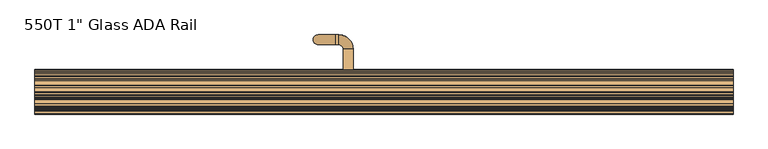
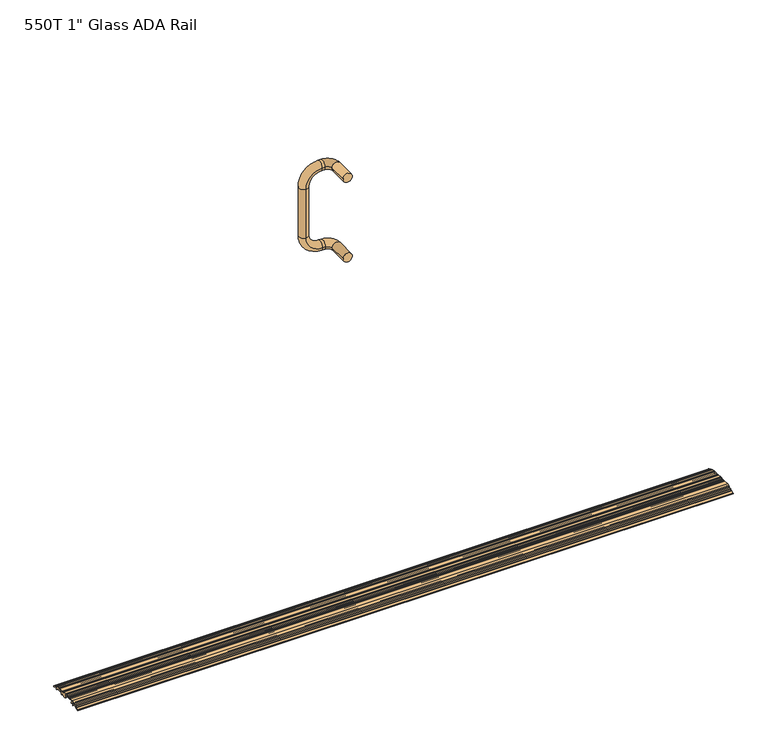
"""IFC4 building model written with IfcOpenShell, lengths in millimetres: door geometry."""

from ifc_helpers import new_model, si_unit, point, frame, origin, place, context, project, spatial, polyline, circle_curve, ellipse_curve, trimmed, source, transform, mapped, element, save
from ifc_brep_helpers import plane_surface, cylinder_surface, revolved_surface, advanced_brep


def door_7d92001a(model_context):
    return source(origin(), model_context, "Body", "AdvancedBrep", [
        advanced_brep(
        [(889.0, 79.8201984, 3.232503), (889.0, 74.4821445, 5.6801748), (889.0, 73.4382091, 5.292623), (889.0, 70.5290577, 6.6265638), (889.0, 70.1415059, 7.6704992), (889.0, 69.2872313, 8.062212), (889.0, 64.9438313, 6.449763), (889.0, 64.9438313, 9.5486209), (889.0, 64.484623, 10.2643645), (889.0, 62.6070313, 11.1253015), (889.0, 56.7396313, 11.1253015), (889.0, 55.9522313, 10.3379015), (889.0, 52.7518313, 10.3379015), (889.0, 51.9644313, 11.1253015), (889.0, 41.1694313, 11.1253015), (889.0, 40.3820313, 10.3379015), (889.0, 34.0320313, 10.3379015), (889.0, 34.0320313, 12.7001015), (889.0, 25.9357259, 12.7001015), (889.0, 25.1483259, 11.9127015), (889.0, 21.9479259, 11.9127015), (889.0, 21.1605259, 12.7001015), (889.0, 18.0839786, 12.7001015), (889.0, 17.2965786, 11.9127015), (889.0, 14.0961786, 11.9127015), (889.0, 13.3087786, 12.7001015), (889.0, 10.2322313, 12.7001015), (889.0, 9.4448313, 11.9127015), (889.0, 6.2444313, 11.9127015), (889.0, 5.4570313, 12.7001015), (889.0, -6.4301687, 12.7001015), (889.0, -13.4706937, 9.711576), (889.0, -13.8878375, 8.6791088), (889.0, -16.8338212, 7.4286129), (889.0, -17.8662884, 7.8457567), (889.0, -20.9525571, 6.5357134), (889.0, -21.3697009, 5.5032462), (889.0, -24.3156847, 4.2527503), (889.0, -25.3481519, 4.6698941), (889.0, -32.1632304, 1.7770649), (889.0, -32.6429687, 1.0522594), (889.0, -32.6429923, 9.84e-05), (889.0, -27.704597, 0.6619452), (889.0, -25.4456567, 1.6208084), (889.0, -24.4131895, 1.2036646), (889.0, -19.3629317, 3.3473719), (889.0, -18.9457878, 4.3798391), (889.0, -17.9637933, 4.7966711), (889.0, -16.931326, 4.3795272), (889.0, -11.8810682, 6.5232345), (889.0, -11.4639244, 7.5557017), (889.0, -9.5292162, 8.3769366), (889.0, -8.5129065, 7.3088865), (889.0, -8.9193687, 5.5373015), (889.0, -8.9193687, 0.0), (889.0, -6.8873687, 0.0), (889.0, -6.8873687, 3.1751015), (889.0, -2.1297464, 3.1751015), (889.0, -2.7951559, 8.4977963), (889.0, -2.3453912, 9.9315015), (889.0, 4.4521576, 9.9315015), (889.0, 5.2395576, 9.1441015), (889.0, 10.4497049, 9.1441015), (889.0, 11.2371049, 9.9315015), (889.0, 12.3039049, 9.9315015), (889.0, 13.0913049, 9.1441015), (889.0, 18.3014522, 9.1441015), (889.0, 19.0888522, 9.9315015), (889.0, 20.1556522, 9.9315015), (889.0, 20.9430522, 9.1441015), (889.0, 26.9200313, 9.1441015), (889.0, 27.7074313, 8.3567015), (889.0, 27.7074313, 0.7875015), (889.0, 28.4948313, 0.0001015), (889.0, 34.0320313, 0.0), (889.0, 34.0320313, 2.7687015), (889.0, 40.3820313, 2.7687015), (889.0, 40.3820313, 0.0), (889.0, 45.9192313, 0.0), (889.0, 46.7066313, 0.7875015), (889.0, 46.7066313, 7.5693015), (889.0, 47.4940313, 8.3567015), (889.0, 49.9732832, 8.3567015), (889.0, 50.6714369, 7.2051859), (889.0, 51.1438089, 3.1751015), (889.0, 56.5950536, 3.1751015), (889.0, 57.0674256, 7.2051859), (889.0, 57.7655793, 8.3567015), (889.0, 60.6004313, 8.3567015), (889.0, 60.6004313, 5.9691015), (889.0, 62.9880313, 3.5815015), (889.0, 65.1727033, 3.5815015), (889.0, 66.8996313, 4.2226083), (889.0, 66.8996313, 0.0), (889.0, 69.6682313, 0.0), (889.0, 69.6682313, 3.6144549), (889.0, 70.783823, 4.3301985), (889.0, 76.7294313, 1.6039432), (889.0, 76.7294313, 0.6605015), (889.0, 81.635628, 0.00297), (-889.0, 79.8201984, 3.232503), (-889.0, 81.635628, 0.00297), (-889.0, 76.7294313, 0.6605015), (-889.0, 76.7294313, 1.6039432), (-889.0, 70.783823, 4.3301985), (-889.0, 69.6682313, 3.6144549), (-889.0, 69.6682313, 0.0), (-889.0, 66.8996313, 0.0), (-889.0, 66.8996313, 4.2226083), (-889.0, 65.1727033, 3.5815015), (-889.0, 62.9880313, 3.5815015), (-889.0, 60.6004313, 5.9691015), (-889.0, 60.6004313, 8.3567015), (-889.0, 57.7655793, 8.3567015), (-889.0, 57.0674256, 7.2051859), (-889.0, 56.5950536, 3.1751015), (-889.0, 51.1438089, 3.1751015), (-889.0, 50.6714369, 7.2051859), (-889.0, 49.9732832, 8.3567015), (-889.0, 47.4940313, 8.3567015), (-889.0, 46.7066313, 7.5693015), (-889.0, 46.7066313, 0.7875015), (-889.0, 45.9192313, 0.0001015), (-889.0, 40.3820313, 0.0), (-889.0, 40.3820313, 2.7687015), (-889.0, 34.0320313, 2.7687015), (-889.0, 34.0320313, 0.0), (-889.0, 28.4948313, 0.0), (-889.0, 27.7074313, 0.7875015), (-889.0, 27.7074313, 8.3567015), (-889.0, 26.9200313, 9.1441015), (-889.0, 20.9430522, 9.1441015), (-889.0, 20.1556522, 9.9315015), (-889.0, 19.0888522, 9.9315015), (-889.0, 18.3014522, 9.1441015), (-889.0, 13.0913049, 9.1441015), (-889.0, 12.3039049, 9.9315015), (-889.0, 11.2371049, 9.9315015), (-889.0, 10.4497049, 9.1441015), (-889.0, 5.2395576, 9.1441015), (-889.0, 4.4521576, 9.9315015), (-889.0, -2.3453912, 9.9315015), (-889.0, -2.7951559, 8.4977963), (-889.0, -2.1297464, 3.1751015), (-889.0, -6.8873687, 3.1751015), (-889.0, -6.8873687, 0.0), (-889.0, -8.9193687, 0.0), (-889.0, -8.9193687, 5.5373015), (-889.0, -8.5129065, 7.3088865), (-889.0, -9.5292162, 8.3769366), (-889.0, -11.4639244, 7.5557017), (-889.0, -11.8810682, 6.5232345), (-889.0, -16.931326, 4.3795272), (-889.0, -17.9637933, 4.7966711), (-889.0, -18.9457878, 4.3798391), (-889.0, -19.3629317, 3.3473719), (-889.0, -24.4131895, 1.2036646), (-889.0, -25.4456567, 1.6208084), (-889.0, -27.704597, 0.6619452), (-889.0, -32.6429923, 9.84e-05), (-889.0, -32.6429923, 1.0522594), (-889.0, -32.1632304, 1.7770649), (-889.0, -25.3481519, 4.6698941), (-889.0, -24.3156847, 4.2527503), (-889.0, -21.3697009, 5.5032462), (-889.0, -20.9525571, 6.5357134), (-889.0, -17.8662884, 7.8457567), (-889.0, -16.8338212, 7.4286129), (-889.0, -13.8878375, 8.6791088), (-889.0, -13.4706937, 9.711576), (-889.0, -6.4301687, 12.7001015), (-889.0, 5.4570313, 12.7001015), (-889.0, 6.2444313, 11.9127015), (-889.0, 9.4448313, 11.9127015), (-889.0, 10.2322313, 12.7001015), (-889.0, 13.3087786, 12.7001015), (-889.0, 14.0961786, 11.9127015), (-889.0, 17.2965786, 11.9127015), (-889.0, 18.0839786, 12.7001015), (-889.0, 21.1605259, 12.7001015), (-889.0, 21.9479259, 11.9127015), (-889.0, 25.1483259, 11.9127015), (-889.0, 25.9357259, 12.7001015), (-889.0, 34.0320313, 12.7001015), (-889.0, 34.0320313, 10.3379015), (-889.0, 40.3820313, 10.3379015), (-889.0, 41.1694313, 11.1253015), (-889.0, 51.9644313, 11.1253015), (-889.0, 52.7518313, 10.3379015), (-889.0, 55.9522313, 10.3379015), (-889.0, 56.7396313, 11.1253015), (-889.0, 62.6070313, 11.1253015), (-889.0, 64.484623, 10.2643645), (-889.0, 64.9438313, 9.5486209), (-889.0, 64.9438313, 6.449763), (-889.0, 69.2872313, 8.062212), (-889.0, 70.1415059, 7.6704992), (-889.0, 70.5290577, 6.6265638), (-889.0, 73.4382091, 5.292623), (-889.0, 74.4821445, 5.6801748)],
        [
            (0, 1),
            (1, 2),
            (2, 3),
            (3, 4),
            (4, 5),
            (5, 6),
            (6, 7),
            (7, 8, circle_curve(frame((889.0, 64.1564313, 9.5486209), z_axis=(1.0, 0.0, 0.0), x_axis=(0.0, -1.0, 0.0)), 0.7874)),
            (8, 9),
            (9, 10),
            (10, 11),
            (11, 12),
            (12, 13),
            (13, 14),
            (14, 15, circle_curve(frame((889.0, 41.1694313, 10.3379015), z_axis=(1.0, 0.0, 0.0), x_axis=(0.0, -1.0, 0.0)), 0.7874)),
            (15, 16, circle_curve(frame((889.0, 37.2070312, 24.0835969), z_axis=(-1.0, 0.0, 0.0), x_axis=(0.0, -1.0, 0.0)), 14.1076138)),
            (16, 17),
            (17, 18),
            (18, 19),
            (19, 20),
            (20, 21),
            (21, 22),
            (22, 23),
            (23, 24),
            (24, 25),
            (25, 26),
            (26, 27),
            (27, 28),
            (28, 29),
            (29, 30),
            (30, 31),
            (31, 32),
            (32, 33),
            (33, 34),
            (34, 35),
            (35, 36),
            (36, 37),
            (37, 38),
            (38, 39),
            (39, 40, circle_curve(frame((889.0, -31.8555687, 1.0522594), z_axis=(1.0, 0.0, 0.0), x_axis=(0.0, -1.0, 0.0)), 0.7874)),
            (40, 41),
            (41, 42),
            (42, 43),
            (43, 44),
            (44, 45),
            (45, 46),
            (46, 47),
            (47, 48),
            (48, 49),
            (49, 50),
            (50, 51),
            (51, 52, circle_curve(frame((889.0, -9.2215545, 7.6521311), z_axis=(-1.0, 0.0, 0.0), x_axis=(0.0, -1.0, 0.0)), 0.7874)),
            (52, 53, circle_curve(frame((889.0, -4.8553687, 5.5373015), z_axis=(1.0, 0.0, 0.0), x_axis=(0.0, -1.0, 0.0)), 4.064)),
            (53, 54),
            (54, 55),
            (55, 56),
            (56, 57),
            (57, 58, circle_curve(frame((889.0, -4.8553687, 5.5373015), z_axis=(1.0, 0.0, 0.0), x_axis=(0.0, -1.0, 0.0)), 3.6068)),
            (58, 59, circle_curve(frame((889.0, -2.3453912, 9.1441015), z_axis=(-1.0, 0.0, 0.0), x_axis=(0.0, -1.0, 0.0)), 0.7874)),
            (59, 60),
            (60, 61),
            (61, 62),
            (62, 63),
            (63, 64),
            (64, 65),
            (65, 66),
            (66, 67),
            (67, 68),
            (68, 69),
            (69, 70),
            (70, 71, circle_curve(frame((889.0, 26.9200313, 8.3567015), z_axis=(-1.0, 0.0, 0.0), x_axis=(0.0, -1.0, 0.0)), 0.7874)),
            (71, 72),
            (72, 73, circle_curve(frame((889.0, 28.4948313, 0.7875015), z_axis=(1.0, 0.0, 0.0), x_axis=(0.0, -1.0, 0.0)), 0.7874)),
            (73, 74),
            (74, 75),
            (75, 76),
            (76, 77),
            (77, 78),
            (78, 79, circle_curve(frame((889.0, 45.9192313, 0.7875015), z_axis=(1.0, 0.0, 0.0), x_axis=(0.0, -1.0, 0.0)), 0.7874)),
            (79, 80),
            (80, 81, circle_curve(frame((889.0, 47.4940313, 7.5693015), z_axis=(-1.0, 0.0, 0.0), x_axis=(0.0, -1.0, 0.0)), 0.7874)),
            (81, 82),
            (82, 83, circle_curve(frame((889.0, 49.9732832, 7.5693015), z_axis=(-1.0, 0.0, 0.0), x_axis=(0.0, -1.0, 0.0)), 0.7874)),
            (83, 84, circle_curve(frame((889.0, 53.8694313, 5.5373015), z_axis=(1.0, 0.0, 0.0), x_axis=(0.0, -1.0, 0.0)), 3.6068)),
            (84, 85),
            (85, 86, circle_curve(frame((889.0, 53.8694313, 5.5373015), z_axis=(1.0, 0.0, 0.0), x_axis=(0.0, -1.0, 0.0)), 3.6068)),
            (86, 87, circle_curve(frame((889.0, 57.7655793, 7.5693015), z_axis=(-1.0, 0.0, 0.0), x_axis=(0.0, -1.0, 0.0)), 0.7874)),
            (87, 88),
            (88, 89),
            (89, 90, circle_curve(frame((889.0, 62.9880313, 5.9691015), z_axis=(1.0, 0.0, 0.0), x_axis=(0.0, -1.0, 0.0)), 2.3876)),
            (90, 91),
            (91, 92),
            (92, 93),
            (93, 94),
            (94, 95),
            (95, 96, circle_curve(frame((889.0, 70.4556313, 3.6144549), z_axis=(-1.0, 0.0, 0.0), x_axis=(0.0, -1.0, 0.0)), 0.7874)),
            (96, 97),
            (97, 98),
            (98, 99),
            (99, 0, circle_curve(frame((889.0, 78.5074313, 0.3695285), z_axis=(1.0, 0.0, 0.0), x_axis=(0.0, -1.0, 0.0)), 3.1496)),
            (100, 101, circle_curve(frame((-889.0, 78.5074313, 0.3695285), z_axis=(-1.0, 0.0, 0.0), x_axis=(0.0, -1.0, 0.0)), 3.1496)),
            (101, 102),
            (102, 103),
            (103, 104),
            (104, 105, circle_curve(frame((-889.0, 70.4556313, 3.6144549), z_axis=(1.0, 0.0, 0.0), x_axis=(0.0, -1.0, 0.0)), 0.7874)),
            (105, 106),
            (106, 107),
            (107, 108),
            (108, 109),
            (109, 110),
            (110, 111, circle_curve(frame((-889.0, 62.9880313, 5.9691015), z_axis=(-1.0, 0.0, 0.0), x_axis=(0.0, -1.0, 0.0)), 2.3876)),
            (111, 112),
            (112, 113),
            (113, 114, circle_curve(frame((-889.0, 57.7655793, 7.5693015), z_axis=(1.0, 0.0, 0.0), x_axis=(0.0, -1.0, 0.0)), 0.7874)),
            (114, 115, circle_curve(frame((-889.0, 53.8694313, 5.5373015), z_axis=(-1.0, 0.0, 0.0), x_axis=(0.0, -1.0, 0.0)), 3.6068)),
            (115, 116),
            (116, 117, circle_curve(frame((-889.0, 53.8694313, 5.5373015), z_axis=(-1.0, 0.0, 0.0), x_axis=(0.0, -1.0, 0.0)), 3.6068)),
            (117, 118, circle_curve(frame((-889.0, 49.9732832, 7.5693015), z_axis=(1.0, 0.0, 0.0), x_axis=(0.0, -1.0, 0.0)), 0.7874)),
            (118, 119),
            (119, 120, circle_curve(frame((-889.0, 47.4940313, 7.5693015), z_axis=(1.0, 0.0, 0.0), x_axis=(0.0, -1.0, 0.0)), 0.7874)),
            (120, 121),
            (121, 122, circle_curve(frame((-889.0, 45.9192313, 0.7875015), z_axis=(-1.0, 0.0, 0.0), x_axis=(0.0, -1.0, 0.0)), 0.7874)),
            (122, 123),
            (123, 124),
            (124, 125),
            (125, 126),
            (126, 127),
            (127, 128, circle_curve(frame((-889.0, 28.4948313, 0.7875015), z_axis=(-1.0, 0.0, 0.0), x_axis=(0.0, -1.0, 0.0)), 0.7874)),
            (128, 129),
            (129, 130, circle_curve(frame((-889.0, 26.9200313, 8.3567015), z_axis=(1.0, 0.0, 0.0), x_axis=(0.0, -1.0, 0.0)), 0.7874)),
            (130, 131),
            (131, 132),
            (132, 133),
            (133, 134),
            (134, 135),
            (135, 136),
            (136, 137),
            (137, 138),
            (138, 139),
            (139, 140),
            (140, 141),
            (141, 142, circle_curve(frame((-889.0, -2.3453912, 9.1441015), z_axis=(1.0, 0.0, 0.0), x_axis=(0.0, -1.0, 0.0)), 0.7874)),
            (142, 143, circle_curve(frame((-889.0, -4.8553687, 5.5373015), z_axis=(-1.0, 0.0, 0.0), x_axis=(0.0, -1.0, 0.0)), 3.6068)),
            (143, 144),
            (144, 145),
            (145, 146),
            (146, 147),
            (147, 148, circle_curve(frame((-889.0, -4.8553687, 5.5373015), z_axis=(-1.0, 0.0, 0.0), x_axis=(0.0, -1.0, 0.0)), 4.064)),
            (148, 149, circle_curve(frame((-889.0, -9.2215545, 7.6521311), z_axis=(1.0, 0.0, 0.0), x_axis=(0.0, -1.0, 0.0)), 0.7874)),
            (149, 150),
            (150, 151),
            (151, 152),
            (152, 153),
            (153, 154),
            (154, 155),
            (155, 156),
            (156, 157),
            (157, 158),
            (158, 159),
            (159, 160),
            (160, 161, circle_curve(frame((-889.0, -31.8555687, 1.0522594), z_axis=(-1.0, 0.0, 0.0), x_axis=(0.0, -1.0, 0.0)), 0.7874)),
            (161, 162),
            (162, 163),
            (163, 164),
            (164, 165),
            (165, 166),
            (166, 167),
            (167, 168),
            (168, 169),
            (169, 170),
            (170, 171),
            (171, 172),
            (172, 173),
            (173, 174),
            (174, 175),
            (175, 176),
            (176, 177),
            (177, 178),
            (178, 179),
            (179, 180),
            (180, 181),
            (181, 182),
            (182, 183),
            (183, 184),
            (184, 185, circle_curve(frame((-889.0, 37.2070313, 24.0835969), z_axis=(1.0, 0.0, 0.0), x_axis=(0.0, -1.0, 0.0)), 14.1076138)),
            (185, 186, circle_curve(frame((-889.0, 41.1694313, 10.3379015), z_axis=(-1.0, 0.0, 0.0), x_axis=(0.0, -1.0, 0.0)), 0.7874)),
            (186, 187),
            (187, 188),
            (188, 189),
            (189, 190),
            (190, 191),
            (191, 192),
            (192, 193, circle_curve(frame((-889.0, 64.1564313, 9.5486209), z_axis=(-1.0, 0.0, 0.0), x_axis=(0.0, -1.0, 0.0)), 0.7874)),
            (193, 194),
            (194, 195),
            (195, 196),
            (196, 197),
            (197, 198),
            (198, 199),
            (199, 100),
            (100, 0),
            (99, 101),
            (98, 102),
            (97, 103),
            (96, 104),
            (95, 105),
            (94, 106),
            (93, 107),
            (92, 108),
            (91, 109),
            (90, 110),
            (89, 111),
            (88, 112),
            (87, 113),
            (86, 114),
            (85, 115),
            (84, 116),
            (83, 117),
            (82, 118),
            (81, 119),
            (80, 120),
            (79, 121),
            (78, 122),
            (77, 123),
            (76, 124),
            (75, 125),
            (74, 126),
            (73, 127),
            (72, 128),
            (71, 129),
            (70, 130),
            (69, 131),
            (68, 132),
            (67, 133),
            (66, 134),
            (65, 135),
            (64, 136),
            (63, 137),
            (62, 138),
            (61, 139),
            (60, 140),
            (59, 141),
            (58, 142),
            (57, 143),
            (56, 144),
            (55, 145),
            (54, 146),
            (53, 147),
            (52, 148),
            (51, 149),
            (50, 150),
            (49, 151),
            (48, 152),
            (47, 153),
            (46, 154),
            (45, 155),
            (44, 156),
            (43, 157),
            (42, 158),
            (41, 159),
            (40, 160),
            (39, 161),
            (38, 162),
            (37, 163),
            (36, 164),
            (35, 165),
            (34, 166),
            (33, 167),
            (32, 168),
            (31, 169),
            (30, 170),
            (29, 171),
            (28, 172),
            (27, 173),
            (26, 174),
            (25, 175),
            (24, 176),
            (23, 177),
            (22, 178),
            (21, 179),
            (20, 180),
            (19, 181),
            (18, 182),
            (17, 183),
            (16, 184),
            (15, 185),
            (14, 186),
            (13, 187),
            (12, 188),
            (11, 189),
            (10, 190),
            (9, 191),
            (8, 192),
            (7, 193),
            (6, 194),
            (5, 195),
            (4, 196),
            (3, 197),
            (2, 198),
            (1, 199),
        ],
        [
            plane_surface(frame((889.0, 75.3578313, 0.3695285), z_axis=(1.0, 0.0, 0.0), x_axis=(0.0, 0.0, -1.0))),
            plane_surface(frame((-889.0, 75.3578313, 0.3695285), z_axis=(-1.0, 0.0, 0.0), x_axis=(0.0, 0.0, 1.0))),
            cylinder_surface(frame((889.0, 78.5074313, 0.3695285), z_axis=(-1.0, 0.0, 0.0), x_axis=(0.0, -1.0, 0.0)), 3.1496),
            plane_surface(frame((-889.0, 81.635628, 0.00297), z_axis=(0.0, -0.13283298616435907, -0.9911384352282274), x_axis=(1.0, 0.0, 0.0))),
            plane_surface(frame((-889.0, 76.7294313, 0.6605015), z_axis=(0.0, -1.0, 0.0), x_axis=(1.0, 0.0, 0.0))),
            plane_surface(frame((-889.0, 76.7294313, 1.6039432), z_axis=(0.0, -0.4168044055904199, -0.9089961977260503), x_axis=(1.0, 0.0, 0.0))),
            revolved_surface(polyline([(889.0, 69.66823129999999, 3.6144549), (-889.0, 69.66823129999999, 3.6144549)]), (889.0, 70.4556313, 3.6144549), (1.0, 0.0, 0.0)),
            plane_surface(frame((-889.0, 69.6682313, 3.6144549), z_axis=(0.0, 1.0, 0.0), x_axis=(1.0, 0.0, 0.0))),
            plane_surface(frame((-889.0, 69.6682313, 0.0), z_axis=(0.0, 0.0, -1.0), x_axis=(1.0, 0.0, 0.0))),
            plane_surface(frame((-889.0, 66.8996313, 0.0), z_axis=(0.0, -1.0, 0.0), x_axis=(1.0, 0.0, 0.0))),
            plane_surface(frame((-889.0, 66.8996313, 4.2226083), z_axis=(0.0, 0.34803215386348857, -0.9374825971062828), x_axis=(1.0, 0.0, 0.0))),
            plane_surface(frame((-889.0, 65.1727033, 3.5815015), z_axis=(0.0, 0.0, -1.0), x_axis=(1.0, 0.0, 0.0))),
            cylinder_surface(frame((889.0, 62.9880313, 5.9691015), z_axis=(-1.0, 0.0, 0.0), x_axis=(0.0, -1.0, 0.0)), 2.3876),
            plane_surface(frame((-889.0, 60.6004313, 5.9691015), z_axis=(0.0, -1.0, 0.0), x_axis=(1.0, 0.0, 0.0))),
            plane_surface(frame((-889.0, 60.6004313, 8.3567015), z_axis=(0.0, 0.0, -1.0), x_axis=(1.0, 0.0, 0.0))),
            revolved_surface(polyline([(889.0, 56.9781793, 7.5693015), (-889.0, 56.9781793, 7.5693015)]), (889.0, 57.7655793, 7.5693015), (1.0, 0.0, 0.0)),
            cylinder_surface(frame((889.0, 53.8694313, 5.5373015), z_axis=(-1.0, 0.0, 0.0), x_axis=(0.0, -1.0, 0.0)), 3.6068),
            plane_surface(frame((-889.0, 56.5950536, 3.1751015), z_axis=(0.0, 0.0, -1.0), x_axis=(1.0, 0.0, 0.0))),
            revolved_surface(polyline([(889.0, 49.1858832, 7.5693015), (-889.0, 49.1858832, 7.5693015)]), (889.0, 49.9732832, 7.5693015), (1.0, 0.0, 0.0)),
            plane_surface(frame((-889.0, 49.9732832, 8.3567015), z_axis=(0.0, 0.0, -1.0), x_axis=(1.0, 0.0, 0.0))),
            revolved_surface(polyline([(889.0, 46.706631300000005, 7.5693015), (-889.0, 46.706631300000005, 7.5693015)]), (889.0, 47.4940313, 7.5693015), (1.0, 0.0, 0.0)),
            plane_surface(frame((-889.0, 46.7066313, 7.5693015), z_axis=(0.0, 1.0, 0.0), x_axis=(1.0, 0.0, 0.0))),
            cylinder_surface(frame((889.0, 45.9192313, 0.7875015), z_axis=(-1.0, 0.0, 0.0), x_axis=(0.0, -1.0, 0.0)), 0.7874),
            plane_surface(frame((-889.0, 45.9192313, 0.0), z_axis=(0.0, 0.0, -1.0), x_axis=(1.0, 0.0, 0.0))),
            plane_surface(frame((-889.0, 40.3820313, 0.0), z_axis=(0.0, -1.0, 0.0), x_axis=(1.0, 0.0, 0.0))),
            plane_surface(frame((-889.0, 40.3820313, 2.7687015), z_axis=(0.0, 0.0, -1.0), x_axis=(1.0, 0.0, 0.0))),
            plane_surface(frame((-889.0, 34.0320313, 2.7687015), z_axis=(0.0, 1.0, 0.0), x_axis=(1.0, 0.0, 0.0))),
            plane_surface(frame((-889.0, 34.0320313, 0.0), z_axis=(0.0, 0.0, -1.0), x_axis=(1.0, 0.0, 0.0))),
            cylinder_surface(frame((889.0, 28.4948313, 0.7875015), z_axis=(-1.0, 0.0, 0.0), x_axis=(0.0, -1.0, 0.0)), 0.7874),
            plane_surface(frame((-889.0, 27.7074313, 0.7875015), z_axis=(0.0, -1.0, 0.0), x_axis=(1.0, 0.0, 0.0))),
            revolved_surface(polyline([(889.0, 26.1326313, 8.3567015), (-889.0, 26.1326313, 8.3567015)]), (889.0, 26.9200313, 8.3567015), (1.0, 0.0, 0.0)),
            plane_surface(frame((-889.0, 26.9200313, 9.1441015), z_axis=(0.0, 0.0, -1.0), x_axis=(1.0, 0.0, 0.0))),
            plane_surface(frame((-889.0, 20.9430522, 9.1441015), z_axis=(0.0, -0.7071067811858994, -0.7071067811871957), x_axis=(1.0, 0.0, 0.0))),
            plane_surface(frame((-889.0, 20.1556522, 9.9315015), z_axis=(0.0, 0.0, -1.0), x_axis=(1.0, 0.0, 0.0))),
            plane_surface(frame((-889.0, 19.0888522, 9.9315015), z_axis=(0.0, 0.7071067811858999, -0.7071067811871952), x_axis=(1.0, 0.0, 0.0))),
            plane_surface(frame((-889.0, 18.3014522, 9.1441015), z_axis=(0.0, 0.0, -1.0), x_axis=(1.0, 0.0, 0.0))),
            plane_surface(frame((-889.0, 13.0913049, 9.1441015), z_axis=(0.0, -0.7071067811865451, -0.7071067811865499), x_axis=(1.0, 0.0, 0.0))),
            plane_surface(frame((-889.0, 12.3039049, 9.9315015), z_axis=(0.0, 0.0, -1.0), x_axis=(1.0, 0.0, 0.0))),
            plane_surface(frame((-889.0, 11.2371049, 9.9315015), z_axis=(0.0, 0.7071067811858999, -0.7071067811871952), x_axis=(1.0, 0.0, 0.0))),
            plane_surface(frame((-889.0, 10.4497049, 9.1441015), z_axis=(0.0, 0.0, -1.0), x_axis=(1.0, 0.0, 0.0))),
            plane_surface(frame((-889.0, 5.2395576, 9.1441015), z_axis=(0.0, -0.7071067811858994, -0.7071067811871957), x_axis=(1.0, 0.0, 0.0))),
            plane_surface(frame((-889.0, 4.4521576, 9.9315015), z_axis=(0.0, 0.0, -1.0), x_axis=(1.0, 0.0, 0.0))),
            revolved_surface(polyline([(889.0, -3.1327911999999998, 9.1441015), (-889.0, -3.1327911999999998, 9.1441015)]), (889.0, -2.3453912, 9.1441015), (1.0, 0.0, 0.0)),
            cylinder_surface(frame((889.0, -4.8553687, 5.5373015), z_axis=(-1.0, 0.0, 0.0), x_axis=(0.0, -1.0, 0.0)), 3.6068),
            plane_surface(frame((-889.0, -2.1297464, 3.1751015), z_axis=(0.0, 0.0, -1.0), x_axis=(1.0, 0.0, 0.0))),
            plane_surface(frame((-889.0, -6.8873687, 3.1751015), z_axis=(0.0, 1.0, 0.0), x_axis=(1.0, 0.0, 0.0))),
            plane_surface(frame((-889.0, -6.8873687, 0.0), z_axis=(0.0, 0.0, -1.0), x_axis=(1.0, 0.0, 0.0))),
            plane_surface(frame((-889.0, -8.9193687, 0.0), z_axis=(0.0, -1.0, 0.0), x_axis=(1.0, 0.0, 0.0))),
            cylinder_surface(frame((889.0, -4.8553687, 5.5373015), z_axis=(-1.0, 0.0, 0.0), x_axis=(0.0, -1.0, 0.0)), 4.064),
            revolved_surface(polyline([(889.0, -10.0089545, 7.6521311), (-889.0, -10.0089545, 7.6521311)]), (889.0, -9.2215545, 7.6521311), (1.0, 0.0, 0.0)),
            plane_surface(frame((-889.0, -9.5292162, 8.3769366), z_axis=(0.0, 0.3907311284894216, -0.9205048534523776), x_axis=(1.0, 0.0, 0.0))),
            plane_surface(frame((-889.0, -11.4639244, 7.5557017), z_axis=(0.0, 0.9271838545667257, -0.37460659341606467), x_axis=(1.0, 0.0, 0.0))),
            plane_surface(frame((-889.0, -11.8810682, 6.5232345), z_axis=(0.0, 0.39073112848902, -0.9205048534525481), x_axis=(1.0, 0.0, 0.0))),
            plane_surface(frame((-889.0, -16.931326, 4.3795272), z_axis=(0.0, -0.3746065934149557, -0.9271838545671738), x_axis=(1.0, 0.0, 0.0))),
            plane_surface(frame((-889.0, -17.9637933, 4.7966711), z_axis=(0.0, 0.3907311284888004, -0.9205048534526413), x_axis=(1.0, 0.0, 0.0))),
            plane_surface(frame((-889.0, -18.9457878, 4.3798391), z_axis=(0.0, 0.9271838545667251, -0.3746065934160663), x_axis=(1.0, 0.0, 0.0))),
            plane_surface(frame((-889.0, -19.3629317, 3.3473719), z_axis=(0.0, 0.39073112848946623, -0.9205048534523587), x_axis=(1.0, 0.0, 0.0))),
            plane_surface(frame((-889.0, -24.4131895, 1.2036646), z_axis=(0.0, -0.3746065934171786, -0.9271838545662757), x_axis=(1.0, 0.0, 0.0))),
            plane_surface(frame((-889.0, -25.4456567, 1.6208084), z_axis=(0.0, 0.3907311284899537, -0.9205048534521517), x_axis=(1.0, 0.0, 0.0))),
            plane_surface(frame((-889.0, -27.704597, 0.6619452), z_axis=(0.0, 0.13283298616442385, -0.9911384352282188), x_axis=(1.0, 0.0, 0.0))),
            plane_surface(frame((-889.0, -32.6429923, 9.84e-05), z_axis=(0.0, -1.0, 0.0), x_axis=(1.0, 0.0, 0.0))),
            cylinder_surface(frame((889.0, -31.8555687, 1.0522594), z_axis=(-1.0, 0.0, 0.0), x_axis=(0.0, -1.0, 0.0)), 0.7874),
            plane_surface(frame((-889.0, -32.1632304, 1.7770649), z_axis=(0.0, -0.39073112848899777, 0.9205048534525575), x_axis=(1.0, 0.0, 0.0))),
            plane_surface(frame((-889.0, -25.3481519, 4.6698941), z_axis=(0.0, 0.37460659341495345, 0.9271838545671747), x_axis=(1.0, 0.0, 0.0))),
            plane_surface(frame((-889.0, -24.3156847, 4.2527503), z_axis=(0.0, -0.3907311284894011, 0.9205048534523863), x_axis=(1.0, 0.0, 0.0))),
            plane_surface(frame((-889.0, -21.3697009, 5.5032462), z_axis=(0.0, -0.9271838545667257, 0.37460659341606467), x_axis=(1.0, 0.0, 0.0))),
            plane_surface(frame((-889.0, -20.9525571, 6.5357134), z_axis=(0.0, -0.390731128489316, 0.9205048534524225), x_axis=(1.0, 0.0, 0.0))),
            plane_surface(frame((-889.0, -17.8662884, 7.8457567), z_axis=(0.0, 0.37460659341718167, 0.9271838545662745), x_axis=(1.0, 0.0, 0.0))),
            plane_surface(frame((-889.0, -16.8338212, 7.4286129), z_axis=(0.0, -0.39073112848940333, 0.9205048534523854), x_axis=(1.0, 0.0, 0.0))),
            plane_surface(frame((-889.0, -13.8878375, 8.6791088), z_axis=(0.0, -0.9271838545667257, 0.37460659341606506), x_axis=(1.0, 0.0, 0.0))),
            plane_surface(frame((-889.0, -13.4706937, 9.711576), z_axis=(0.0, -0.39073112848944413, 0.9205048534523681), x_axis=(1.0, 0.0, 0.0))),
            plane_surface(frame((-889.0, -6.4301687, 12.7001015), z_axis=(0.0, 0.0, 1.0), x_axis=(1.0, 0.0, 0.0))),
            plane_surface(frame((-889.0, 5.4570313, 12.7001015), z_axis=(0.0, 0.7071067811871952, 0.7071067811858999), x_axis=(1.0, 0.0, 0.0))),
            plane_surface(frame((-889.0, 6.2444313, 11.9127015), z_axis=(0.0, 0.0, 1.0), x_axis=(1.0, 0.0, 0.0))),
            plane_surface(frame((-889.0, 9.4448313, 11.9127015), z_axis=(0.0, -0.707106781187197, 0.707106781185898), x_axis=(1.0, 0.0, 0.0))),
            plane_surface(frame((-889.0, 10.2322313, 12.7001015), z_axis=(0.0, 0.0, 1.0), x_axis=(1.0, 0.0, 0.0))),
            plane_surface(frame((-889.0, 13.3087786, 12.7001015), z_axis=(0.0, 0.7071067811871952, 0.7071067811858999), x_axis=(1.0, 0.0, 0.0))),
            plane_surface(frame((-889.0, 14.0961786, 11.9127015), z_axis=(0.0, 0.0, 1.0), x_axis=(1.0, 0.0, 0.0))),
            plane_surface(frame((-889.0, 17.2965786, 11.9127015), z_axis=(0.0, -0.7071067811871962, 0.7071067811858989), x_axis=(1.0, 0.0, 0.0))),
            plane_surface(frame((-889.0, 18.0839786, 12.7001015), z_axis=(0.0, 0.0, 1.0), x_axis=(1.0, 0.0, 0.0))),
            plane_surface(frame((-889.0, 21.1605259, 12.7001015), z_axis=(0.0, 0.7071067811878458, 0.7071067811852494), x_axis=(1.0, 0.0, 0.0))),
            plane_surface(frame((-889.0, 21.9479259, 11.9127015), z_axis=(0.0, 0.0, 1.0), x_axis=(1.0, 0.0, 0.0))),
            plane_surface(frame((-889.0, 25.1483259, 11.9127015), z_axis=(0.0, -0.7071067811871962, 0.7071067811858989), x_axis=(1.0, 0.0, 0.0))),
            plane_surface(frame((-889.0, 25.9357259, 12.7001015), z_axis=(0.0, 0.0, 1.0), x_axis=(1.0, 0.0, 0.0))),
            plane_surface(frame((-889.0, 34.0320313, 12.7001015), z_axis=(0.0, 1.0, 0.0), x_axis=(1.0, 0.0, 0.0))),
            revolved_surface(polyline([(889.0, 23.099417400000004, 24.0835969), (-889.0, 23.099417400000004, 24.0835969)]), (889.0, 37.2070312, 24.0835969), (1.0, 0.0, 0.0)),
            cylinder_surface(frame((889.0, 41.1694313, 10.3379015), z_axis=(-1.0, 0.0, 0.0), x_axis=(0.0, -1.0, 0.0)), 0.7874),
            plane_surface(frame((-889.0, 41.1694313, 11.1253015), z_axis=(0.0, 0.0, 1.0), x_axis=(1.0, 0.0, 0.0))),
            plane_surface(frame((-889.0, 51.9644313, 11.1253015), z_axis=(0.0, 0.707106781185899, 0.7071067811871962), x_axis=(1.0, 0.0, 0.0))),
            plane_surface(frame((-889.0, 52.7518313, 10.3379015), z_axis=(0.0, 0.0, 1.0), x_axis=(1.0, 0.0, 0.0))),
            plane_surface(frame((-889.0, 55.9522313, 10.3379015), z_axis=(0.0, -0.7071067811858999, 0.7071067811871952), x_axis=(1.0, 0.0, 0.0))),
            plane_surface(frame((-889.0, 56.7396313, 11.1253015), z_axis=(0.0, 0.0, 1.0), x_axis=(1.0, 0.0, 0.0))),
            plane_surface(frame((-889.0, 62.6070313, 11.1253015), z_axis=(0.0, 0.4168044055898942, 0.9089961977262915), x_axis=(1.0, 0.0, 0.0))),
            cylinder_surface(frame((889.0, 64.1564313, 9.5486209), z_axis=(-1.0, 0.0, 0.0), x_axis=(0.0, -1.0, 0.0)), 0.7874),
            plane_surface(frame((-889.0, 64.9438313, 9.5486209), z_axis=(0.0, 1.0, 0.0), x_axis=(1.0, 0.0, 0.0))),
            plane_surface(frame((-889.0, 64.9438313, 6.449763), z_axis=(0.0, -0.34803215386352576, 0.9374825971062691), x_axis=(1.0, 0.0, 0.0))),
            plane_surface(frame((-889.0, 69.2872313, 8.062212), z_axis=(0.0, 0.41680440558842324, 0.9089961977269658), x_axis=(1.0, 0.0, 0.0))),
            plane_surface(frame((-889.0, 70.1415059, 7.6704992), z_axis=(0.0, 0.9374825971060472, 0.3480321538641233), x_axis=(1.0, 0.0, 0.0))),
            plane_surface(frame((-889.0, 70.5290577, 6.6265638), z_axis=(0.0, 0.41680440559001053, 0.9089961977262381), x_axis=(1.0, 0.0, 0.0))),
            plane_surface(frame((-889.0, 73.4382091, 5.292623), z_axis=(0.0, -0.3480321538633442, 0.9374825971063365), x_axis=(1.0, 0.0, 0.0))),
            plane_surface(frame((-889.0, 74.4821445, 5.6801748), z_axis=(0.0, 0.41680440559015, 0.9089961977261741), x_axis=(1.0, 0.0, 0.0))),
        ],
        [
            (0, [[1, 2, 3, 4, 5, 6, 7, 8, 9, 10, 11, 12, 13, 14, 15, 16, 17, 18, 19, 20, 21, 22, 23, 24, 25, 26, 27, 28, 29, 30, 31, 32, 33, 34, 35, 36, 37, 38, 39, 40, 41, 42, 43, 44, 45, 46, 47, 48, 49, 50, 51, 52, 53, 54, 55, 56, 57, 58, 59, 60, 61, 62, 63, 64, 65, 66, 67, 68, 69, 70, 71, 72, 73, 74, 75, 76, 77, 78, 79, 80, 81, 82, 83, 84, 85, 86, 87, 88, 89, 90, 91, 92, 93, 94, 95, 96, 97, 98, 99, 100]]),
            (1, [[101, 102, 103, 104, 105, 106, 107, 108, 109, 110, 111, 112, 113, 114, 115, 116, 117, 118, 119, 120, 121, 122, 123, 124, 125, 126, 127, 128, 129, 130, 131, 132, 133, 134, 135, 136, 137, 138, 139, 140, 141, 142, 143, 144, 145, 146, 147, 148, 149, 150, 151, 152, 153, 154, 155, 156, 157, 158, 159, 160, 161, 162, 163, 164, 165, 166, 167, 168, 169, 170, 171, 172, 173, 174, 175, 176, 177, 178, 179, 180, 181, 182, 183, 184, 185, 186, 187, 188, 189, 190, 191, 192, 193, 194, 195, 196, 197, 198, 199, 200]]),
            (2, [[-101, 201, -100, 202]]),
            (3, [[-102, -202, -99, 203]]),
            (4, [[-103, -203, -98, 204]]),
            (5, [[-104, -204, -97, 205]]),
            (6, [[-105, -205, -96, 206]]),
            (7, [[-106, -206, -95, 207]]),
            (8, [[-107, -207, -94, 208]]),
            (9, [[-108, -208, -93, 209]]),
            (10, [[-109, -209, -92, 210]]),
            (11, [[-110, -210, -91, 211]]),
            (12, [[-111, -211, -90, 212]]),
            (13, [[-112, -212, -89, 213]]),
            (14, [[-113, -213, -88, 214]]),
            (15, [[-114, -214, -87, 215]]),
            (16, [[-115, -215, -86, 216]]),
            (17, [[-116, -216, -85, 217]]),
            (16, [[-117, -217, -84, 218]]),
            (18, [[-118, -218, -83, 219]]),
            (19, [[-119, -219, -82, 220]]),
            (20, [[-120, -220, -81, 221]]),
            (21, [[-121, -221, -80, 222]]),
            (22, [[-122, -222, -79, 223]]),
            (23, [[-123, -223, -78, 224]]),
            (24, [[-124, -224, -77, 225]]),
            (25, [[-125, -225, -76, 226]]),
            (26, [[-126, -226, -75, 227]]),
            (27, [[-127, -227, -74, 228]]),
            (28, [[-128, -228, -73, 229]]),
            (29, [[-129, -229, -72, 230]]),
            (30, [[-130, -230, -71, 231]]),
            (31, [[-131, -231, -70, 232]]),
            (32, [[-132, -232, -69, 233]]),
            (33, [[-133, -233, -68, 234]]),
            (34, [[-134, -234, -67, 235]]),
            (35, [[-135, -235, -66, 236]]),
            (36, [[-136, -236, -65, 237]]),
            (37, [[-137, -237, -64, 238]]),
            (38, [[-138, -238, -63, 239]]),
            (39, [[-139, -239, -62, 240]]),
            (40, [[-140, -240, -61, 241]]),
            (41, [[-141, -241, -60, 242]]),
            (42, [[-142, -242, -59, 243]]),
            (43, [[-143, -243, -58, 244]]),
            (44, [[-144, -244, -57, 245]]),
            (45, [[-145, -245, -56, 246]]),
            (46, [[-146, -246, -55, 247]]),
            (47, [[-147, -247, -54, 248]]),
            (48, [[-148, -248, -53, 249]]),
            (49, [[-149, -249, -52, 250]]),
            (50, [[-150, -250, -51, 251]]),
            (51, [[-151, -251, -50, 252]]),
            (52, [[-152, -252, -49, 253]]),
            (53, [[-153, -253, -48, 254]]),
            (54, [[-154, -254, -47, 255]]),
            (55, [[-155, -255, -46, 256]]),
            (56, [[-156, -256, -45, 257]]),
            (57, [[-157, -257, -44, 258]]),
            (58, [[-158, -258, -43, 259]]),
            (59, [[-159, -259, -42, 260]]),
            (60, [[-160, -260, -41, 261]]),
            (61, [[-161, -261, -40, 262]]),
            (62, [[-162, -262, -39, 263]]),
            (63, [[-163, -263, -38, 264]]),
            (64, [[-164, -264, -37, 265]]),
            (65, [[-165, -265, -36, 266]]),
            (66, [[-166, -266, -35, 267]]),
            (67, [[-167, -267, -34, 268]]),
            (68, [[-168, -268, -33, 269]]),
            (69, [[-169, -269, -32, 270]]),
            (70, [[-170, -270, -31, 271]]),
            (71, [[-171, -271, -30, 272]]),
            (72, [[-172, -272, -29, 273]]),
            (73, [[-173, -273, -28, 274]]),
            (74, [[-174, -274, -27, 275]]),
            (75, [[-175, -275, -26, 276]]),
            (76, [[-176, -276, -25, 277]]),
            (77, [[-177, -277, -24, 278]]),
            (78, [[-178, -278, -23, 279]]),
            (79, [[-179, -279, -22, 280]]),
            (80, [[-180, -280, -21, 281]]),
            (81, [[-181, -281, -20, 282]]),
            (82, [[-182, -282, -19, 283]]),
            (83, [[-183, -283, -18, 284]]),
            (84, [[-184, -284, -17, 285]]),
            (85, [[-185, -285, -16, 286]]),
            (86, [[-186, -286, -15, 287]]),
            (87, [[-187, -287, -14, 288]]),
            (88, [[-188, -288, -13, 289]]),
            (89, [[-189, -289, -12, 290]]),
            (90, [[-190, -290, -11, 291]]),
            (91, [[-191, -291, -10, 292]]),
            (92, [[-192, -292, -9, 293]]),
            (93, [[-193, -293, -8, 294]]),
            (94, [[-194, -294, -7, 295]]),
            (95, [[-195, -295, -6, 296]]),
            (96, [[-196, -296, -5, 297]]),
            (97, [[-197, -297, -4, 298]]),
            (98, [[-198, -298, -3, 299]]),
            (99, [[-199, -299, -2, 300]]),
            (100, [[-200, -300, -1, -201]]),
        ],
    ),
        advanced_brep(
        [(-78.6913879, 80.9625, 1181.1), (-104.0911472, 80.9625, 1181.1), (-78.6913879, 80.9625, 952.5), (-104.0911472, 80.9625, 952.5), (-104.0911472, 133.2272494, 1181.1), (-78.6913879, 133.2272494, 1181.1), (-115.3266385, 144.4627407, 1181.1), (-115.3266385, 169.8625, 1181.1), (-123.1413879, 144.4627407, 1181.1), (-123.1413879, 169.8625, 1181.1), (-167.5913879, 144.4627407, 1136.65), (-167.5913879, 169.8625, 1136.65), (-167.5913879, 144.4627407, 996.95), (-167.5913879, 169.8625, 996.95), (-123.1413879, 144.4627407, 952.5), (-123.1413879, 169.8625, 952.5), (-115.3266385, 144.4627407, 952.5), (-115.3266385, 169.8625, 952.5), (-104.0911472, 133.2272494, 952.5), (-78.6913879, 133.2272494, 952.5)],
        [
            (0, 1, circle_curve(frame((-91.3912676, 80.9625, 1181.1), z_axis=(0.0, -1.0, 0.0), x_axis=(1.0, 0.0, 0.0)), 12.6998797)),
            (1, 0, circle_curve(frame((-91.3912676, 80.9625, 1181.1), z_axis=(0.0, -1.0, 0.0), x_axis=(1.0, 0.0, 0.0)), 12.6998797)),
            (2, 3, circle_curve(frame((-91.3912676, 80.9625, 952.5), z_axis=(0.0, -1.0, 0.0), x_axis=(1.0, 0.0, 0.0)), 12.6998797)),
            (3, 2, circle_curve(frame((-91.3912676, 80.9625, 952.5), z_axis=(0.0, -1.0, 0.0), x_axis=(1.0, 0.0, 0.0)), 12.6998797)),
            (1, 4),
            (4, 5, circle_curve(frame((-91.3912676, 133.2272494, 1181.1), z_axis=(0.0, -1.0, 0.0), x_axis=(1.0, 0.0, 0.0)), 12.6998797)),
            (5, 0),
            (5, 4, circle_curve(frame((-91.3912676, 133.2272494, 1181.1), z_axis=(0.0, -1.0, 0.0), x_axis=(1.0, 0.0, 0.0)), 12.6998797)),
            (6, 7, circle_curve(frame((-115.3266385, 157.1626203, 1181.1), z_axis=(1.0, 0.0, 0.0), x_axis=(0.0, 1.0, 0.0)), 12.6998797)),
            (7, 5, circle_curve(frame((-115.3266385, 133.2272494, 1181.1), z_axis=(0.0, 0.0, -1.0), x_axis=(1.0, 0.0, 0.0)), 36.6352506)),
            (4, 6, circle_curve(frame((-115.3266385, 133.2272494, 1181.1), z_axis=(0.0, 0.0, 1.0), x_axis=(1.0, 0.0, 0.0)), 11.2354913)),
            (7, 6, circle_curve(frame((-115.3266385, 157.1626203, 1181.1), z_axis=(1.0, 0.0, 0.0), x_axis=(0.0, 1.0, 0.0)), 12.6998797)),
            (6, 8),
            (8, 9, circle_curve(frame((-123.1413879, 157.1626203, 1181.1), z_axis=(1.0, 0.0, 0.0), x_axis=(0.0, 1.0, 0.0)), 12.6998797)),
            (9, 7),
            (9, 8, circle_curve(frame((-123.1413879, 157.1626203, 1181.1), z_axis=(1.0, 0.0, 0.0), x_axis=(0.0, 1.0, 0.0)), 12.6998797)),
            (10, 11, circle_curve(frame((-167.5913879, 157.1626203, 1136.65), z_axis=(0.0, 0.0, 1.0), x_axis=(0.0, 1.0, 0.0)), 12.6998797)),
            (11, 9, circle_curve(frame((-123.1413879, 169.8625, 1136.65), z_axis=(0.0, 1.0, 0.0), x_axis=(0.0, 0.0, 1.0)), 44.45)),
            (8, 10, circle_curve(frame((-123.1413879, 144.4627407, 1136.65), z_axis=(0.0, -1.0, 0.0), x_axis=(0.0, 0.0, 1.0)), 44.45)),
            (11, 10, circle_curve(frame((-167.5913879, 157.1626203, 1136.65), z_axis=(0.0, 0.0, 1.0), x_axis=(0.0, 1.0, 0.0)), 12.6998797)),
            (10, 12),
            (12, 13, circle_curve(frame((-167.5913879, 157.1626203, 996.95), z_axis=(0.0, 0.0, 1.0), x_axis=(0.0, 1.0, 0.0)), 12.6998797)),
            (13, 11),
            (13, 12, circle_curve(frame((-167.5913879, 157.1626203, 996.95), z_axis=(0.0, 0.0, 1.0), x_axis=(0.0, 1.0, 0.0)), 12.6998797)),
            (14, 15, circle_curve(frame((-123.1413879, 157.1626203, 952.5), z_axis=(-1.0, 0.0, 0.0), x_axis=(0.0, 1.0, 0.0)), 12.6998797)),
            (15, 13, circle_curve(frame((-123.1413879, 169.8625, 996.95), z_axis=(0.0, 1.0, 0.0), x_axis=(-1.0, 0.0, 0.0)), 44.45)),
            (12, 14, circle_curve(frame((-123.1413879, 144.4627407, 996.95), z_axis=(0.0, -1.0, 0.0), x_axis=(-1.0, 0.0, 0.0)), 44.45)),
            (15, 14, circle_curve(frame((-123.1413879, 157.1626203, 952.5), z_axis=(-1.0, 0.0, 0.0), x_axis=(0.0, 1.0, 0.0)), 12.6998797)),
            (14, 16),
            (16, 17, circle_curve(frame((-115.3266385, 157.1626203, 952.5), z_axis=(-1.0, 0.0, 0.0), x_axis=(0.0, 1.0, 0.0)), 12.6998797)),
            (17, 15),
            (17, 16, circle_curve(frame((-115.3266385, 157.1626203, 952.5), z_axis=(-1.0, 0.0, 0.0), x_axis=(0.0, 1.0, 0.0)), 12.6998797)),
            (18, 19, circle_curve(frame((-91.3912676, 133.2272494, 952.5), z_axis=(0.0, 1.0, 0.0), x_axis=(1.0, 0.0, 0.0)), 12.6998797)),
            (19, 17, circle_curve(frame((-115.3266385, 133.2272494, 952.5), z_axis=(0.0, 0.0, 1.0), x_axis=(0.0, 1.0, 0.0)), 36.6352506)),
            (16, 18, circle_curve(frame((-115.3266385, 133.2272494, 952.5), z_axis=(0.0, 0.0, -1.0), x_axis=(0.0, 1.0, 0.0)), 11.2354913)),
            (19, 18, circle_curve(frame((-91.3912676, 133.2272494, 952.5), z_axis=(0.0, 1.0, 0.0), x_axis=(1.0, 0.0, 0.0)), 12.6998797)),
            (18, 3),
            (2, 19),
        ],
        [
            plane_surface(frame((-78.6913879, 80.9625, 1181.1), z_axis=(0.0, -1.0, 0.0), x_axis=(0.0, 0.0, 1.0))),
            plane_surface(frame((-78.6913879, 80.9625, 952.5), z_axis=(0.0, -1.0, 0.0), x_axis=(0.0, 0.0, -1.0))),
            cylinder_surface(frame((-91.3912676, 80.9625, 1181.1), z_axis=(0.0, -1.0, 0.0), x_axis=(1.0, 0.0, 0.0)), 12.6998797),
            revolved_surface(trimmed(ellipse_curve(frame((-91.3912676, 133.2272494, 1181.1), z_axis=(0.0, 1.0, 0.0), x_axis=(1.0, 0.0, 0.0)), 12.6998797, 12.6998797), [point((-78.6913879, 133.2272494, 1181.1))], [point((-104.0911472, 133.2272494, 1181.1))], True, "CARTESIAN"), (-115.3266385, 133.2272494, 1181.1), (0.0, 0.0, -1.0)),
            revolved_surface(trimmed(ellipse_curve(frame((-91.3912676, 133.2272494, 1181.1), z_axis=(0.0, 1.0, 0.0), x_axis=(1.0, 0.0, 0.0)), 12.6998797, 12.6998797), [point((-104.0911472, 133.2272494, 1181.1))], [point((-78.6913879, 133.2272494, 1181.1))], True, "CARTESIAN"), (-115.3266385, 133.2272494, 1181.1), (0.0, 0.0, -1.0)),
            cylinder_surface(frame((-115.3266385, 157.1626203, 1181.1), z_axis=(1.0, 0.0, 0.0), x_axis=(0.0, 1.0, 0.0)), 12.6998797),
            revolved_surface(trimmed(ellipse_curve(frame((-123.1413879, 157.1626203, 1181.1), z_axis=(-1.0, 0.0, 0.0), x_axis=(0.0, 1.0, 0.0)), 12.6998797, 12.6998797), [point((-123.1413879, 169.8625, 1181.1))], [point((-123.1413879, 144.4627407, 1181.1))], True, "CARTESIAN"), (-123.1413879, 157.1625, 1136.65), (0.0, 1.0, 0.0)),
            revolved_surface(trimmed(ellipse_curve(frame((-123.1413879, 157.1626203, 1181.1), z_axis=(-1.0, 0.0, 0.0), x_axis=(0.0, 1.0, 0.0)), 12.6998797, 12.6998797), [point((-123.1413879, 144.4627407, 1181.1))], [point((-123.1413879, 169.8625, 1181.1))], True, "CARTESIAN"), (-123.1413879, 157.1625, 1136.65), (0.0, 1.0, 0.0)),
            cylinder_surface(frame((-167.5913879, 157.1626203, 1136.65), z_axis=(0.0, 0.0, 1.0), x_axis=(0.0, 1.0, 0.0)), 12.6998797),
            revolved_surface(trimmed(ellipse_curve(frame((-167.5913879, 157.1626203, 996.95), z_axis=(0.0, 0.0, -1.0), x_axis=(0.0, 1.0, 0.0)), 12.6998797, 12.6998797), [point((-167.5913879, 169.8625, 996.95))], [point((-167.5913879, 144.4627407, 996.95))], True, "CARTESIAN"), (-123.1413879, 157.1625, 996.95), (0.0, 1.0, 0.0)),
            revolved_surface(trimmed(ellipse_curve(frame((-167.5913879, 157.1626203, 996.95), z_axis=(0.0, 0.0, -1.0), x_axis=(0.0, 1.0, 0.0)), 12.6998797, 12.6998797), [point((-167.5913879, 144.4627407, 996.95))], [point((-167.5913879, 169.8625, 996.95))], True, "CARTESIAN"), (-123.1413879, 157.1625, 996.95), (0.0, 1.0, 0.0)),
            cylinder_surface(frame((-123.1413879, 157.1626203, 952.5), z_axis=(-1.0, 0.0, 0.0), x_axis=(0.0, 1.0, 0.0)), 12.6998797),
            revolved_surface(trimmed(ellipse_curve(frame((-115.3266385, 157.1626203, 952.5), z_axis=(1.0, 0.0, 0.0), x_axis=(0.0, 1.0, 0.0)), 12.6998797, 12.6998797), [point((-115.3266385, 169.8625, 952.5))], [point((-115.3266385, 144.4627407, 952.5))], True, "CARTESIAN"), (-115.3266385, 133.2272494, 952.5), (0.0, 0.0, 1.0)),
            revolved_surface(trimmed(ellipse_curve(frame((-115.3266385, 157.1626203, 952.5), z_axis=(1.0, 0.0, 0.0), x_axis=(0.0, 1.0, 0.0)), 12.6998797, 12.6998797), [point((-115.3266385, 144.4627407, 952.5))], [point((-115.3266385, 169.8625, 952.5))], True, "CARTESIAN"), (-115.3266385, 133.2272494, 952.5), (0.0, 0.0, 1.0)),
            cylinder_surface(frame((-91.3912676, 133.2272494, 952.5), z_axis=(0.0, 1.0, 0.0), x_axis=(1.0, 0.0, 0.0)), 12.6998797),
        ],
        [
            (0, [[1, 2]]),
            (1, [[3, 4]]),
            (2, [[5, 6, 7, -2]]),
            (2, [[-7, 8, -5, -1]]),
            (3, [[9, 10, -6, 11]]),
            (4, [[12, -11, -8, -10]]),
            (5, [[13, 14, 15, -9]]),
            (5, [[-15, 16, -13, -12]]),
            (6, [[17, 18, -14, 19]]),
            (7, [[20, -19, -16, -18]]),
            (8, [[21, 22, 23, -17]]),
            (8, [[-23, 24, -21, -20]]),
            (9, [[25, 26, -22, 27]]),
            (10, [[28, -27, -24, -26]]),
            (11, [[29, 30, 31, -25]]),
            (11, [[-31, 32, -29, -28]]),
            (12, [[33, 34, -30, 35]]),
            (13, [[36, -35, -32, -34]]),
            (14, [[37, -3, 38, -33]]),
            (14, [[-38, -4, -37, -36]]),
        ],
    ),
    ])


if __name__ == "__main__":
    model = new_model("IFC4")
    model_context = context("Model", 3, world=origin())
    ifc_project = project(units=[si_unit("LENGTHUNIT", "METRE", prefix="MILLI")], contexts=[model_context])
    site = spatial("IfcSite", under=ifc_project)
    building = spatial("IfcBuilding", under=site)
    placement = place(None, origin())
    door_shape = door_7d92001a(model_context)
    element("IfcDoor", 1, ObjectType="550T 1\" Glass ADA Rail", at=placement, inside=building, context=model_context, shape_type="MappedRepresentation", body=[
        mapped(door_shape, transform((0.0, 0.0, 0.0), x_axis=(1.0, 0.0, 0.0), y_axis=(0.0, 1.0, 0.0), z_axis=(0.0, 0.0, 1.0))),
    ])
    save(model, "model.ifc")
